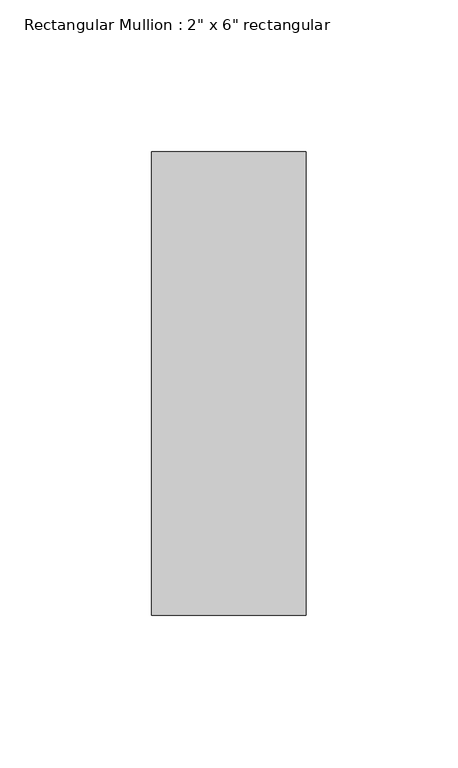
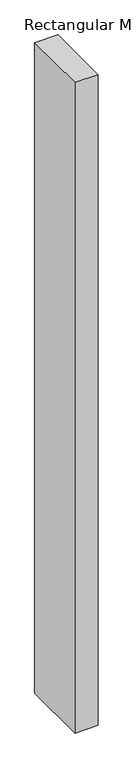
"""IFC4 building model written with IfcOpenShell, lengths in millimetres: member geometry."""

from ifc_helpers import new_model, si_unit, frame, origin, place, context, project, spatial, polyline, outline, extrude, source, transform, mapped, element, save


def member_1c84193f(model_context):
    return source(origin(), model_context, "Body", "SweptSolid", [
        extrude(outline(polyline([(25.4, 76.2), (25.4, -76.2), (-25.4, -76.2), (-25.4, 76.2), (25.4, 76.2)])), frame((0.0, 0.0, -1508.76), z_axis=(0.0, 0.0, 1.0), x_axis=(1.0, 0.0, 0.0)), (0.0, 0.0, 1.0), 1508.76),
    ])


if __name__ == "__main__":
    model = new_model("IFC4")
    model_context = context("Model", 3, world=origin())
    ifc_project = project(units=[si_unit("LENGTHUNIT", "METRE", prefix="MILLI")], contexts=[model_context])
    site = spatial("IfcSite", under=ifc_project)
    building = spatial("IfcBuilding", under=site)
    placement = place(None, origin())
    member_shape = member_1c84193f(model_context)
    element("IfcMember", 1, ObjectType="Rectangular Mullion : 2\" x 6\" rectangular", at=placement, inside=building, context=model_context, shape_type="MappedRepresentation", body=[
        mapped(member_shape, transform((0.0, 0.0, 0.0), x_axis=(1.0, 0.0, 0.0), y_axis=(0.0, 1.0, 0.0), z_axis=(0.0, 0.0, 1.0))),
    ])
    save(model, "model.ifc")
